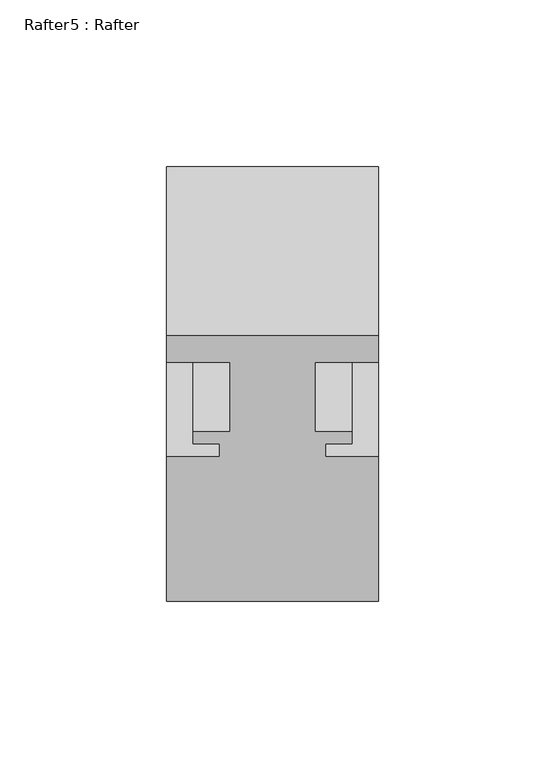
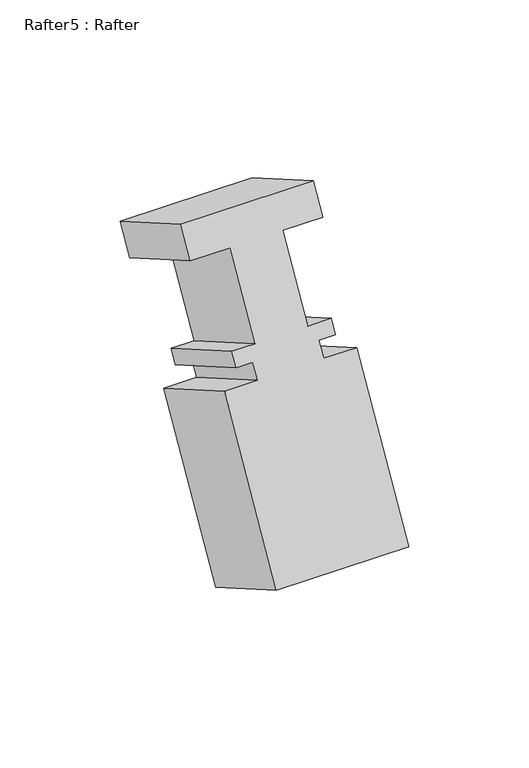
"""IFC4 building model written with IfcOpenShell, lengths in millimetres: proxy geometry, Rafter5 : Rafter."""

from ifc_helpers import new_model, si_unit, frame, origin, place, context, project, spatial, polyline, outline, extrude, source, transform, mapped, element, save


def rafter5_rafter_ea67a2aa(model_context):
    return source(origin(), model_context, "Body", "SweptSolid", [
        extrude(outline(polyline([(63.5, 0.0), (63.5, -15.8691296), (44.45, -15.8691296), (44.45, -57.531), (55.5752, -57.531), (55.5752, -64.6938), (47.625, -64.6938), (47.625, -72.5932001), (63.5, -72.5932001), (63.5, -159.1310001), (0.0, -159.1310001), (0.0, -72.5932001), (15.875, -72.5932001), (15.875, -64.6938), (7.9248, -64.6938), (7.9248, -57.531), (19.05, -57.531), (19.05, -15.8902734), (0.0, -15.8902734), (0.0, 0.0), (63.5, 0.0)])), frame((9200.3526877, -20132.8183901, 1263.2536414), z_axis=(0.0, -0.8660254037844398, 0.499999999999998), x_axis=(1.0, 0.0, 0.0)), (0.0, 0.0, 1.0), 58.4547221),
    ])


if __name__ == "__main__":
    model = new_model("IFC4")
    model_context = context("Model", 3, world=origin())
    ifc_project = project(units=[si_unit("LENGTHUNIT", "METRE", prefix="MILLI")], contexts=[model_context])
    site = spatial("IfcSite", under=ifc_project)
    building = spatial("IfcBuilding", under=site)
    placement = place(None, origin())
    rafter5_rafter_shape = rafter5_rafter_ea67a2aa(model_context)
    element("IfcBuildingElementProxy", 1, Name="Rafter5 : Rafter", ObjectType="Rafter5 : Rafter", at=placement, inside=building, context=model_context, shape_type="MappedRepresentation", body=[
        mapped(rafter5_rafter_shape, transform((0.0, 0.0, 0.0), x_axis=(1.0, 0.0, 0.0), y_axis=(0.0, 1.0, 0.0), z_axis=(0.0, 0.0, 1.0))),
    ])
    save(model, "model.ifc")
